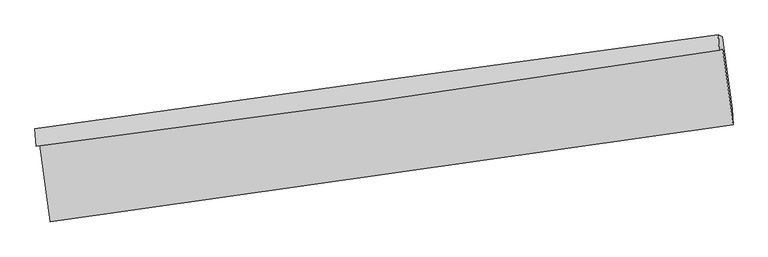
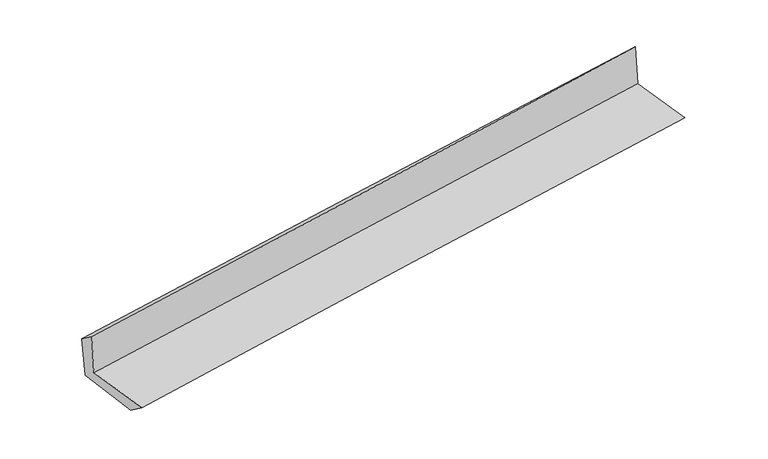
"""IFC4 building model written with IfcOpenShell, lengths in millimetres: proxy geometry."""

from ifc_helpers import new_model, si_unit, frame, origin, place, context, project, spatial, source, transform, mapped, element, save
from ifc_brep_helpers import plane_surface, spline_curve, spline_surface, advanced_brep


def generic_models_9bd368d7(model_context):
    return source(origin(), model_context, "Body", "AdvancedBrep", [
        advanced_brep(
        [(-3001.0595446, -1907.0181251, 1636.8082273), (-2909.1871771, -2581.1563614, 1641.5202501), (3046.1846161, -1734.4626417, 2130.2684283), (2956.3299029, -1075.3693734, 2126.0576609), (-3031.7902663, -1925.7523398, 2040.205865), (2924.0565818, -1087.769562, 2537.642517), (-3043.971376, -1770.3257413, 1930.068141), (2915.9679796, -952.7890769, 2411.8231725), (-3010.3979349, -1776.8342805, 1534.0849533), (2950.0669352, -969.0374681, 2025.6232004), (-2922.2668284, -2410.718077, 1517.3773001), (3037.4758183, -1597.726667, 2009.0524643)],
        [
            (0, 1),
            (1, 2, spline_curve(3, [(-2909.1871771, -2581.1563614, 1641.5202501), (-1917.080842405, -2441.785797984, 1731.491650674), (-924.750689118, -2301.543281323, 1817.206071976), (1060.373234565, -2019.312069802, 1980.122268565), (2053.167012644, -1877.323346264, 2057.323906321), (3046.1846161, -1734.4626417, 2130.2684283)], [4, 2, 4], [0.0, 9.900062884751959, 19.80028516977055])),
            (2, 3),
            (3, 0, spline_curve(3, [(2956.3299029, -1075.3693734, 2126.0576609), (1964.126655429, -1224.085692147, 2052.956019753), (971.571911845, -1367.748431494, 1975.634050861), (-1014.224581984, -1644.964519205, 1812.550770225), (-2007.466320781, -1778.518030383, 1726.789594598), (-3001.0595446, -1907.0181251, 1636.8082273)], [4, 2, 4], [0.0, 9.900222285018591, 19.80028516977055])),
            (4, 0),
            (3, 5),
            (5, 4, spline_curve(3, [(2924.0565818, -1087.769562, 2537.642517), (1932.77609464, -1242.145344155, 2462.745084362), (940.811278987, -1389.165635967, 2383.842947857), (-1044.471025465, -1668.492991936, 2218.030601799), (-2037.788492825, -1800.800292185, 2131.120520762), (-3031.7902663, -1925.7523398, 2040.205865)], [4, 2, 4], [0.0, 9.900336846089397, 19.800514290067653])),
            (6, 4),
            (5, 7),
            (7, 6, spline_curve(3, [(2915.9679796, -952.7890769, 2411.8231725), (1922.04085962, -1087.243865663, 2335.959894712), (928.411690661, -1222.599871002, 2257.88166254), (-1058.234751557, -1495.112121564, 2097.296580434), (-2051.252034597, -1632.268337561, 2014.789802384), (-3043.971376, -1770.3257413, 1930.068141)], [4, 2, 4], [0.0, 9.900133224228071, 19.80010704962345])),
            (8, 6),
            (7, 9),
            (9, 8, spline_curve(3, [(2950.0669352, -969.0374681, 2025.6232004), (1956.521243072, -1105.255621555, 1948.062508003), (963.038992802, -1240.681634825, 1868.32029416), (-1023.782628288, -1509.947213279, 1704.474141468), (-2017.122001584, -1643.786804253, 1620.370273058), (-3010.3979349, -1776.8342805, 1534.0849533)], [4, 2, 4], [0.0, 9.900042551760805, 19.799925706148805])),
            (10, 8),
            (9, 11),
            (11, 10, spline_curve(3, [(3037.4758183, -1597.726667, 2009.0524643), (2043.80929649, -1733.07575324, 1931.514678532), (1050.326818627, -1868.500126535, 1851.772507756), (-936.254057852, -2139.497265429, 1687.880715439), (-1929.352461865, -2275.07002908, 1603.731164715), (-2922.2668284, -2410.718077, 1517.3773001)], [4, 2, 4], [0.0, 9.900041762608437, 19.799924127856777])),
            (1, 10),
            (11, 2),
        ],
        [
            spline_surface(3, 3, [[(-3001.0595446, -1907.0181251, 1636.8082273), (-2007.466320731, -1778.518030544, 1726.78959473), (-1014.22458198, -1644.964519257, 1812.550770327), (971.571911842, -1367.748431442, 1975.634050759), (1964.126655584, -1224.085692121, 2052.956019698), (2956.3299029, -1075.3693734, 2126.0576609)], [(-2970.43542209, -2131.730870554, 1638.378901555), (-1977.337827907, -1999.6072864, 1728.356946665), (-984.399951045, -1863.824106678, 1814.102537553), (1001.172352787, -1584.936310856, 1977.130123339), (1993.806774604, -1441.831576849, 2054.411981947), (2986.281473967, -1295.067129487, 2127.461250036)], [(-2939.81129961, -2356.443615946, 1639.949575845), (-1947.209335113, -2220.696542195, 1729.924298635), (-954.575320138, -2082.683694059, 1815.654304797), (1030.772793704, -1802.124190231, 1978.626195938), (2023.486893624, -1659.577461615, 2055.86794419), (3016.233045033, -1514.764885613, 2128.864839164)], [(-2909.1871771, -2581.1563614, 1641.5202501), (-1917.080842288, -2441.785798051, 1731.49165057), (-924.750689203, -2301.54328148, 1817.206072022), (1060.37323465, -2019.312069646, 1980.122268519), (2053.167012644, -1877.323346343, 2057.32390644), (3046.1846161, -1734.4626417, 2130.2684283)]], [4, 4], [4, 2, 4], [0.0, 2.165790477735539], [0.0, 9.900062884751959, 19.80028516977055]),
            spline_surface(3, 3, [[(-3031.7902663, -1925.7523398, 2040.205865), (-2037.78849294, -1800.800292326, 2131.120520857), (-1044.4710256, -1668.492991836, 2218.030601691), (940.811279122, -1389.165636067, 2383.842947966), (1932.77609451, -1242.145344005, 2462.745084493), (2924.0565818, -1087.769562, 2537.642517)], [(-3021.546692414, -1919.507601547, 1905.739985766), (-2027.681102218, -1793.372871713, 1996.343545481), (-1034.388877714, -1660.650167621, 2082.870657921), (951.064823375, -1382.026567837, 2247.773315581), (1943.226281538, -1236.125460068, 2326.148729574), (2934.814355503, -1083.636165825, 2400.447564979)], [(-3011.303118486, -1913.262863353, 1771.274106534), (-2017.573711453, -1785.945451157, 1861.566570106), (-1024.306729867, -1652.807343472, 1947.710714097), (961.318367589, -1374.887499672, 2111.703683143), (1953.676468556, -1230.105576058, 2189.552374617), (2945.572129197, -1079.502769575, 2263.252612921)], [(-3001.0595446, -1907.0181251, 1636.8082273), (-2007.466320731, -1778.518030544, 1726.78959473), (-1014.22458198, -1644.964519257, 1812.550770327), (971.571911842, -1367.748431442, 1975.634050759), (1964.126655584, -1224.085692121, 2052.956019698), (2956.3299029, -1075.3693734, 2126.0576609)]], [4, 4], [4, 2, 4], [0.0, 1.3405667918711255], [0.0, 9.900177443978256, 19.800514290067653]),
            spline_surface(3, 3, [[(-3043.971376, -1770.3257413, 1930.068141), (-2051.252034509, -1632.268337559, 2014.789802535), (-1058.234751585, -1495.112121538, 2097.296580563), (928.411690689, -1222.599871029, 2257.881662412), (1922.040859628, -1087.243865628, 2335.959894834), (2915.9679796, -952.7890769, 2411.8231725)], [(-3039.911006082, -1822.134607471, 1966.780715688), (-2046.764187301, -1688.44565582, 2053.566708664), (-1053.646842946, -1552.905744977, 2137.541254274), (932.544886811, -1278.121792714, 2299.868757598), (1925.619271259, -1138.877691757, 2378.221624702), (2918.664180337, -997.782571937, 2453.762953982)], [(-3035.850636218, -1873.943473629, 2003.493290312), (-2042.276340148, -1744.622974066, 2092.343614728), (-1049.05893424, -1610.699368397, 2177.785927979), (936.678083, -1333.643714381, 2341.855852779), (1929.197682879, -1190.511517876, 2420.483354625), (2921.360381063, -1042.776066963, 2495.702735518)], [(-3031.7902663, -1925.7523398, 2040.205865), (-2037.78849294, -1800.800292326, 2131.120520857), (-1044.4710256, -1668.492991836, 2218.030601691), (940.811279122, -1389.165636067, 2383.842947966), (1932.77609451, -1242.145344005, 2462.745084493), (2924.0565818, -1087.769562, 2537.642517)]], [4, 4], [4, 2, 4], [0.0, 0.6903552436681449], [0.0, 9.899973825395378, 19.80010704962345]),
            spline_surface(3, 3, [[(-3010.3979349, -1776.8342805, 1534.0849533), (-2017.122001677, -1643.786804274, 1620.370273171), (-1023.782628396, -1509.947213361, 1704.474141508), (963.03899291, -1240.681634743, 1868.32029412), (1956.521243031, -1105.255621508, 1948.062508154), (2950.0669352, -969.0374681, 2025.6232004)], [(-3021.58908195, -1774.664767456, 1666.079349189), (-2028.498679304, -1639.947315392, 1751.843449615), (-1035.266669448, -1505.002182747, 1835.41495452), (951.496558848, -1234.654380165, 1998.174083544), (1945.027781898, -1099.251702875, 2077.361637064), (2938.700616668, -963.621337693, 2154.35652445)], [(-3032.78022895, -1772.495254344, 1798.073745111), (-2039.875356882, -1636.107826441, 1883.316626091), (-1046.750710534, -1500.057152152, 1966.355767551), (939.954124751, -1228.627125607, 2128.027872988), (1933.534320761, -1093.247784262, 2206.660765924), (2927.334298132, -958.205207307, 2283.08984845)], [(-3043.971376, -1770.3257413, 1930.068141), (-2051.252034509, -1632.268337559, 2014.789802535), (-1058.234751585, -1495.112121538, 2097.296580563), (928.411690689, -1222.599871029, 2257.881662412), (1922.040859628, -1087.243865628, 2335.959894834), (2915.9679796, -952.7890769, 2411.8231725)]], [4, 4], [4, 2, 4], [0.0, 1.289561895512792], [0.0, 9.899883154388, 19.799925706148805]),
            spline_surface(3, 3, [[(-2922.2668284, -2410.718077, 1517.3773001), (-1929.352461879, -2275.070028933, 1603.731164794), (-936.254057776, -2139.497265529, 1687.880715405), (1050.326818552, -1868.500126435, 1851.77250779), (2043.80929664, -1733.075753179, 1931.514678577), (3037.4758183, -1597.726667, 2009.0524643)], [(-2951.643863882, -2199.423478143, 1522.946517838), (-1958.608975126, -2064.642287357, 1609.277534258), (-965.430247987, -1929.647248137, 1693.411857448), (1021.230876667, -1659.227295868, 1857.288436575), (2014.71327875, -1523.802375942, 1937.030621771), (3008.339523913, -1388.163600687, 2014.576043002)], [(-2981.020899418, -1988.128879357, 1528.515735562), (-1987.865488429, -1854.214545851, 1614.823903708), (-994.606438186, -1719.797230753, 1698.942999465), (992.134934795, -1449.954465309, 1862.804365335), (1985.617260921, -1314.528998745, 1942.54656496), (2979.203229587, -1178.600534413, 2020.099621698)], [(-3010.3979349, -1776.8342805, 1534.0849533), (-2017.122001677, -1643.786804274, 1620.370273171), (-1023.782628396, -1509.947213361, 1704.474141508), (963.03899291, -1240.681634743, 1868.32029412), (1956.521243031, -1105.255621508, 1948.062508154), (2950.0669352, -969.0374681, 2025.6232004)]], [4, 4], [4, 2, 4], [0.0, 2.0831619837727695], [0.0, 9.89988236524834, 19.799924127856777]),
            spline_surface(3, 3, [[(-2909.1871771, -2581.1563614, 1641.5202501), (-1917.080842288, -2441.785798051, 1731.49165057), (-924.750689203, -2301.54328148, 1817.206072022), (1060.37323465, -2019.312069646, 1980.122268519), (2053.167012644, -1877.323346343, 2057.32390644), (3046.1846161, -1734.4626417, 2130.2684283)], [(-2913.547060882, -2524.343599929, 1600.139266763), (-1921.171382168, -2386.213875008, 1688.904821975), (-928.585145402, -2247.527942841, 1774.097619801), (1057.024429276, -1969.041421921, 1937.339014927), (2050.047773988, -1829.240815293, 2015.387497137), (3043.281683512, -1688.883983472, 2089.863106951)], [(-2917.906944618, -2467.530838471, 1558.758283437), (-1925.261921999, -2330.641951977, 1646.317993389), (-932.419601578, -2193.512604167, 1730.989167627), (1053.675623926, -1918.77077416, 1894.555761382), (2046.928535295, -1781.158284229, 1973.45108788), (3040.378750888, -1643.305325228, 2049.457785649)], [(-2922.2668284, -2410.718077, 1517.3773001), (-1929.352461879, -2275.070028933, 1603.731164794), (-936.254057776, -2139.497265529, 1687.880715405), (1050.326818552, -1868.500126435, 1851.77250779), (2043.80929664, -1733.075753179, 1931.514678577), (3037.4758183, -1597.726667, 2009.0524643)]], [4, 4], [4, 2, 4], [0.0, 0.6658182259397049], [0.0, 9.899944519380997, 19.800048437122832]),
            plane_surface(frame((2971.6803056, -1236.1924648, 2206.7445739), z_axis=(0.987468429883228, 0.13514305138075203, 0.08150126163104354), x_axis=(-0.08787422658971314, 0.041872684572358945, 0.9952511233794029))),
            plane_surface(frame((-2986.4455212, -2061.9674875, 1716.6774561), z_axis=(-0.9874684298831976, -0.13514305138090252, -0.0815012616311644), x_axis=(-0.13502977536300712, 0.9908173378681198, -0.00692551408547816))),
        ],
        [
            (0, [[1, 2, 3, 4]]),
            (1, [[5, -4, 6, 7]]),
            (2, [[8, -7, 9, 10]]),
            (3, [[11, -10, 12, 13]]),
            (4, [[14, -13, 15, 16]]),
            (5, [[17, -16, 18, -2]]),
            (6, [[-12, -9, -6, -3, -18, -15]]),
            (7, [[-1, -5, -8, -11, -14, -17]]),
        ],
    ),
    ])


if __name__ == "__main__":
    model = new_model("IFC4")
    model_context = context("Model", 3, world=origin())
    ifc_project = project(units=[si_unit("LENGTHUNIT", "METRE", prefix="MILLI")], contexts=[model_context])
    site = spatial("IfcSite", under=ifc_project)
    building = spatial("IfcBuilding", under=site)
    placement = place(None, origin())
    generic_models_shape = generic_models_9bd368d7(model_context)
    element("IfcBuildingElementProxy", 1, Name="Generic Models", at=placement, inside=building, context=model_context, shape_type="MappedRepresentation", body=[
        mapped(generic_models_shape, transform((0.0, 0.0, 0.0), x_axis=(1.0, 0.0, 0.0), y_axis=(0.0, 1.0, 0.0), z_axis=(0.0, 0.0, 1.0))),
    ])
    save(model, "model.ifc")
